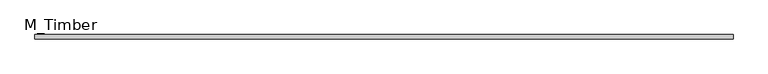
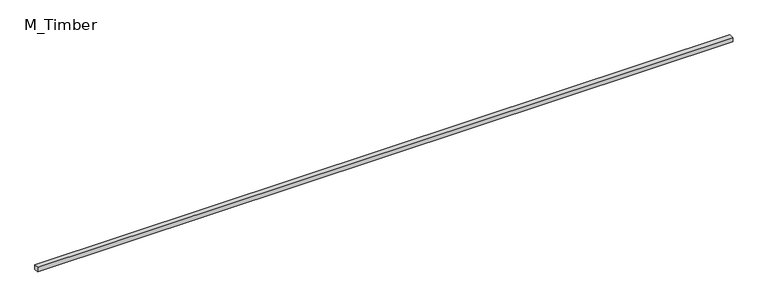
"""IFC4 building model written with IfcOpenShell, lengths in millimetres: beam geometry, M_Timber."""

from ifc_helpers import new_model, si_unit, frame, origin, place, context, project, spatial, polyline, outline, extrude, source, transform, mapped, element, save


def m_timber_f82c8958(model_context):
    return source(origin(), model_context, "Body", "SweptSolid", [
        extrude(outline(polyline([(3067.7614688, 20.0), (3067.7614688, -20.0), (-3067.7614688, -20.0), (-3067.7614688, 20.0), (3067.7614688, 20.0)])), frame((0.0, 0.0, -20.0), z_axis=(0.0, 0.0, 1.0), x_axis=(1.0, 0.0, 0.0)), (0.0, 0.0, 1.0), 40.0),
    ])


if __name__ == "__main__":
    model = new_model("IFC4")
    model_context = context("Model", 3, world=origin())
    ifc_project = project(units=[si_unit("LENGTHUNIT", "METRE", prefix="MILLI")], contexts=[model_context])
    site = spatial("IfcSite", under=ifc_project)
    building = spatial("IfcBuilding", under=site)
    placement = place(None, origin())
    m_timber_shape = m_timber_f82c8958(model_context)
    element("IfcBeam", 1, ObjectType="M_Timber", at=placement, inside=building, context=model_context, shape_type="MappedRepresentation", body=[
        mapped(m_timber_shape, transform((0.0, 0.0, 0.0), x_axis=(1.0, 0.0, 0.0), y_axis=(0.0, 1.0, 0.0), z_axis=(0.0, 0.0, 1.0))),
    ])
    save(model, "model.ifc")
